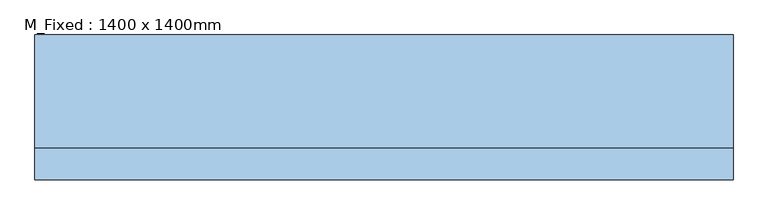
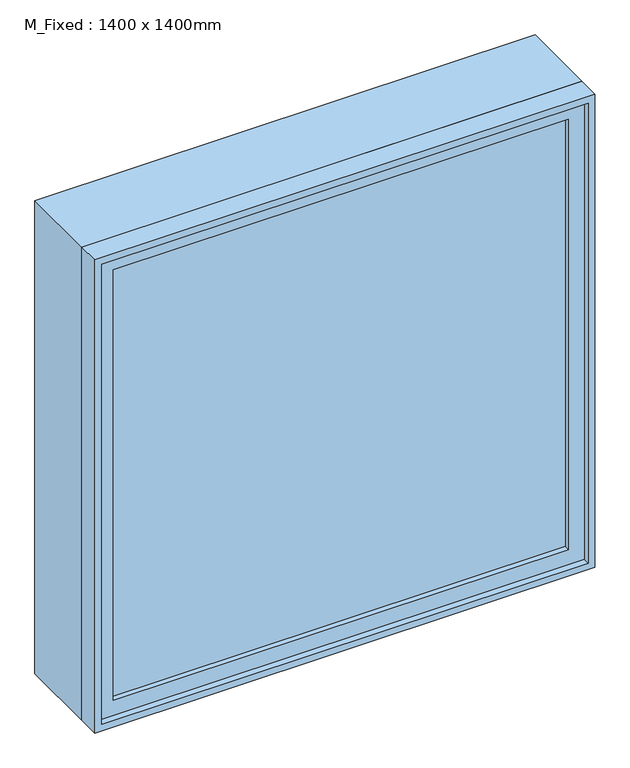
"""IFC4 building model written with IfcOpenShell, lengths in millimetres: window geometry, M_Fixed : 1400 x 1400mm."""

import ifcopenshell
import ifcopenshell.guid

model = None  # the IFC model being written
_history = None  # IfcOwnerHistory: only IFC2X3 demands one
_inside = {}  # id of a spatial element -> (the spatial element, [elements in it])
_under = {}  # id of a project, library or spatial element -> (it, [spatial elements below it])
_declared = {}  # id of a project -> (the project, [libraries it declares])
_typed = {}  # id of a type object -> (the type object, [elements of that type])
_made_of = {}  # id of a material, layer set ... -> (it, [elements and type objects made of it])


def new_model(schema):
    """Start an empty IFC model of exactly this schema.

    Asked for "IFC4X3", IfcOpenShell would pick the latest addendum, in which some entities
    have other attributes; the version numbers below select the first issue.
    IFC2X3 requires an IfcOwnerHistory on every rooted entity: one is made here for all.
    """
    global model, _history
    if schema == "IFC4X3":
        model = ifcopenshell.file(schema_version=(4, 3, 0, 0))
    else:
        model = ifcopenshell.file(schema=schema)
    _inside.clear()
    _under.clear()
    _declared.clear()
    _typed.clear()
    _made_of.clear()
    _history = None
    if model.schema == "IFC2X3":
        org = make("IfcOrganization", Name="unknown")
        user = make(
            "IfcPersonAndOrganization",
            ThePerson=make("IfcPerson", FamilyName="unknown"),
            TheOrganization=org,
        )
        app = make(
            "IfcApplication",
            ApplicationDeveloper=org,
            Version="unknown",
            ApplicationFullName="unknown",
            ApplicationIdentifier="unknown",
        )
        _history = make(
            "IfcOwnerHistory",
            OwningUser=user,
            OwningApplication=app,
            ChangeAction="ADDED",
            CreationDate=0,
        )
    return model


def make(cls, **values):
    """One entity of the class cls with the attributes given. An attribute that is None is left unset."""
    return model.create_entity(
        cls, **{name: value for name, value in values.items() if value is not None}
    )


def rooted(cls, **values):
    """An entity with a GlobalId (a new one), such as an element, a storey or a relation."""
    return make(cls, GlobalId=ifcopenshell.guid.new(), OwnerHistory=_history, **values)


def si_unit(unit_type, name, prefix=None):
    """IfcSIUnit, for example si_unit("LENGTHUNIT", "METRE", prefix="MILLI")."""
    return make("IfcSIUnit", UnitType=unit_type, Prefix=prefix, Name=name)


def assignment(units):
    """IfcUnitAssignment: the units of a project."""
    return None if units is None else make("IfcUnitAssignment", Units=units)


def point(xyz):
    """IfcCartesianPoint."""
    return None if xyz is None else make("IfcCartesianPoint", Coordinates=xyz)


def direction(xyz):
    """IfcDirection."""
    return None if xyz is None else make("IfcDirection", DirectionRatios=xyz)


def frame(location, z_axis=None, x_axis=None):
    """IfcAxis2Placement3D, a coordinate frame: its origin and axes. An axis left out is left unset."""
    return make(
        "IfcAxis2Placement3D",
        Location=point(location),
        Axis=direction(z_axis),
        RefDirection=direction(x_axis),
    )


def origin():
    """The frame at (0, 0, 0) with its axes left unset."""
    return frame((0.0, 0.0, 0.0))


def place(relative_to, where):
    """IfcLocalPlacement: puts the frame where relative to a parent placement (None: the world)."""
    return make(
        "IfcLocalPlacement", PlacementRelTo=relative_to, RelativePlacement=where
    )


def context(
    kind, dimensions, precision=None, world=None, true_north=None, identifier=None
):
    """IfcGeometricRepresentationContext, for example the 3D "Model" context."""
    return make(
        "IfcGeometricRepresentationContext",
        ContextIdentifier=identifier,
        ContextType=kind,
        CoordinateSpaceDimension=dimensions,
        Precision=precision,
        WorldCoordinateSystem=world,
        TrueNorth=true_north,
    )


def project(units=None, contexts=None):
    """IfcProject with its units and contexts."""
    return rooted(
        "IfcProject",
        Name="project",
        RepresentationContexts=contexts,
        UnitsInContext=assignment(units),
    )


def spatial(cls, under=None, at=None, **own):
    """A site, building, storey or space (cls), placed at a placement, below another one or the project."""
    s = rooted(cls, ObjectPlacement=at, **own)
    if under is not None:
        _under.setdefault(under.id(), (under, []))[1].append(s)
    return s


def polyline(points):
    """IfcPolyline through the points."""
    return make("IfcPolyline", Points=[point(p) for p in points])


def outline(outer, holes=None, kind="AREA"):
    """IfcArbitraryClosedProfileDef: a profile drawn as a closed curve; with holes, ...WithVoids."""
    if holes is None:
        return make("IfcArbitraryClosedProfileDef", ProfileType=kind, OuterCurve=outer)
    return make(
        "IfcArbitraryProfileDefWithVoids",
        ProfileType=kind,
        OuterCurve=outer,
        InnerCurves=holes,
    )


def extrude(swept, where, along, depth):
    """IfcExtrudedAreaSolid: the profile swept, set in the frame where, extruded along a direction by depth."""
    return make(
        "IfcExtrudedAreaSolid",
        SweptArea=swept,
        Position=where,
        ExtrudedDirection=direction(along),
        Depth=depth,
    )


def shape(context_of_items, identifier, shape_type, items):
    """IfcShapeRepresentation: the items that make up one representation, for example the "Body"."""
    return make(
        "IfcShapeRepresentation",
        ContextOfItems=context_of_items,
        RepresentationIdentifier=identifier,
        RepresentationType=shape_type,
        Items=items,
    )


def source(mapping_origin, context_of_items, identifier, shape_type, items):
    """IfcRepresentationMap: a shape defined once, which mapped items show again and again."""
    return make(
        "IfcRepresentationMap",
        MappingOrigin=mapping_origin,
        MappedRepresentation=shape(context_of_items, identifier, shape_type, items),
    )


def transform(
    local_origin,
    x_axis=None,
    y_axis=None,
    z_axis=None,
    scale=None,
    scale2=None,
    scale3=None,
    uniform=True,
):
    """IfcCartesianTransformationOperator3D, or its non-uniform kind. x_axis, y_axis, z_axis: its Axis1, 2, 3."""
    if uniform:
        return make(
            "IfcCartesianTransformationOperator3D",
            Axis1=direction(x_axis),
            Axis2=direction(y_axis),
            LocalOrigin=point(local_origin),
            Scale=scale,
            Axis3=direction(z_axis),
        )
    return make(
        "IfcCartesianTransformationOperator3DnonUniform",
        Axis1=direction(x_axis),
        Axis2=direction(y_axis),
        LocalOrigin=point(local_origin),
        Scale=scale,
        Axis3=direction(z_axis),
        Scale2=scale2,
        Scale3=scale3,
    )


def mapped(mapping_source, mapping_target):
    """IfcMappedItem: shows the shape of a source again, moved by a transform."""
    return make(
        "IfcMappedItem", MappingSource=mapping_source, MappingTarget=mapping_target
    )


def made_of(thing, what):
    """Note that an element or type object is made of a material, layer set ...; save() writes the relation."""
    if what is not None:
        _made_of.setdefault(what.id(), (what, []))[1].append(thing)
    return thing


def element(
    cls,
    number,
    at=None,
    inside=None,
    cuts=None,
    type_object=None,
    material=None,
    context=None,
    identifier="Body",
    shape_type=None,
    held_by="IfcProductDefinitionShape",
    body=None,
    shapes=None,
    **own,
):
    """One element of the class cls, such as IfcWall. Its Tag is "e" and its number.

    at: its placement. inside: the storey or other place that contains it. cuts: it is an
    opening in that element (IfcRelVoidsElement). A single representation is given by context,
    identifier, shape_type and body (its items); several are given by shapes. held_by: the class
    of the entity that holds the representations. save() writes the other relations.
    """
    e = rooted(cls, Tag="e%d" % number, ObjectPlacement=at, **own)
    if body is not None:
        shapes = [shape(context, identifier, shape_type, body)]
    if shapes is not None:
        e.Representation = make(held_by, Representations=shapes)
    if inside is not None:
        _inside.setdefault(inside.id(), (inside, []))[1].append(e)
    if cuts is not None:
        rooted(
            "IfcRelVoidsElement", RelatingBuildingElement=cuts, RelatedOpeningElement=e
        )
    if type_object is not None:
        _typed.setdefault(type_object.id(), (type_object, []))[1].append(e)
    return made_of(e, material)


def aggregate(whole, parts):
    """IfcRelAggregates: a whole, such as a stair, and the parts it consists of."""
    return rooted("IfcRelAggregates", RelatingObject=whole, RelatedObjects=parts)


def save(model, path):
    """Write the relations noted so far, then the file.

    IfcRelAggregates (storeys below a building ...), IfcRelContainedInSpatialStructure (elements
    in a storey), IfcRelDefinesByType, IfcRelAssociatesMaterial and IfcRelDeclares: one each for
    every whole, place, type object, material and project.
    """
    for whole, parts in _under.values():
        aggregate(whole, parts)
    for where, things in _inside.values():
        rooted(
            "IfcRelContainedInSpatialStructure",
            RelatedElements=things,
            RelatingStructure=where,
        )
    for kind, things in _typed.values():
        rooted("IfcRelDefinesByType", RelatedObjects=things, RelatingType=kind)
    for what, things in _made_of.values():
        rooted("IfcRelAssociatesMaterial", RelatedObjects=things, RelatingMaterial=what)
    for by, libraries in _declared.values():
        rooted("IfcRelDeclares", RelatingContext=by, RelatedDefinitions=libraries)
    model.write(path)


def m_fixed_1400_x_1400mm_9b5ea692(model_context):
    return source(origin(), model_context, "Body", "SweptSolid", [
        extrude(outline(polyline([(-637.0, -123.0), (-637.0, -111.0), (637.0, -111.0), (637.0, -123.0), (-637.0, -123.0)])), frame((0.0, 0.0, 163.0), z_axis=(0.0, 0.0, 1.0), x_axis=(1.0, 0.0, 0.0)), (0.0, 0.0, 1.0), 1274.0),
        extrude(outline(polyline([(1481.0, -681.0), (119.0, -681.0), (119.0, 681.0), (1481.0, 681.0), (1481.0, -681.0)]), holes=[polyline([(1437.0, -637.0), (1437.0, 637.0), (163.0, 637.0), (163.0, -637.0), (1437.0, -637.0)])]), frame((0.0, -139.0, 0.0), z_axis=(0.0, 1.0, 0.0), x_axis=(0.0, 0.0, 1.0)), (0.0, 0.0, 1.0), 44.0),
        extrude(outline(polyline([(1500.0, -700.0), (100.0, -700.0), (100.0, 700.0), (1500.0, 700.0), (1500.0, -700.0)]), holes=[polyline([(1481.0, -681.0), (1481.0, 681.0), (119.0, 681.0), (119.0, -681.0), (1481.0, -681.0)])]), frame((0.0, -158.0, 0.0), z_axis=(0.0, 1.0, 0.0), x_axis=(0.0, 0.0, 1.0)), (0.0, 0.0, 1.0), 63.0),
        extrude(outline(polyline([(1500.0, -700.0), (100.0, -700.0), (100.0, 700.0), (1500.0, 700.0), (1500.0, -700.0)]), holes=[polyline([(1468.0, -668.0), (1468.0, 668.0), (132.0, 668.0), (132.0, -668.0), (1468.0, -668.0)])]), frame((0.0, -95.0, 0.0), z_axis=(0.0, 1.0, 0.0), x_axis=(0.0, 0.0, 1.0)), (0.0, 0.0, 1.0), 227.0),
    ])


if __name__ == "__main__":
    model = new_model("IFC4")
    model_context = context("Model", 3, world=origin())
    ifc_project = project(units=[si_unit("LENGTHUNIT", "METRE", prefix="MILLI")], contexts=[model_context])
    site = spatial("IfcSite", under=ifc_project)
    building = spatial("IfcBuilding", under=site)
    placement = place(None, origin())
    m_fixed_1400_x_1400mm_shape = m_fixed_1400_x_1400mm_9b5ea692(model_context)
    element("IfcWindow", 1, ObjectType="M_Fixed : 1400 x 1400mm", at=placement, inside=building, context=model_context, shape_type="MappedRepresentation", body=[
        mapped(m_fixed_1400_x_1400mm_shape, transform((0.0, 0.0, 0.0), x_axis=(1.0, 0.0, 0.0), y_axis=(0.0, 1.0, 0.0), z_axis=(0.0, 0.0, 1.0))),
    ])
    save(model, "model.ifc")
